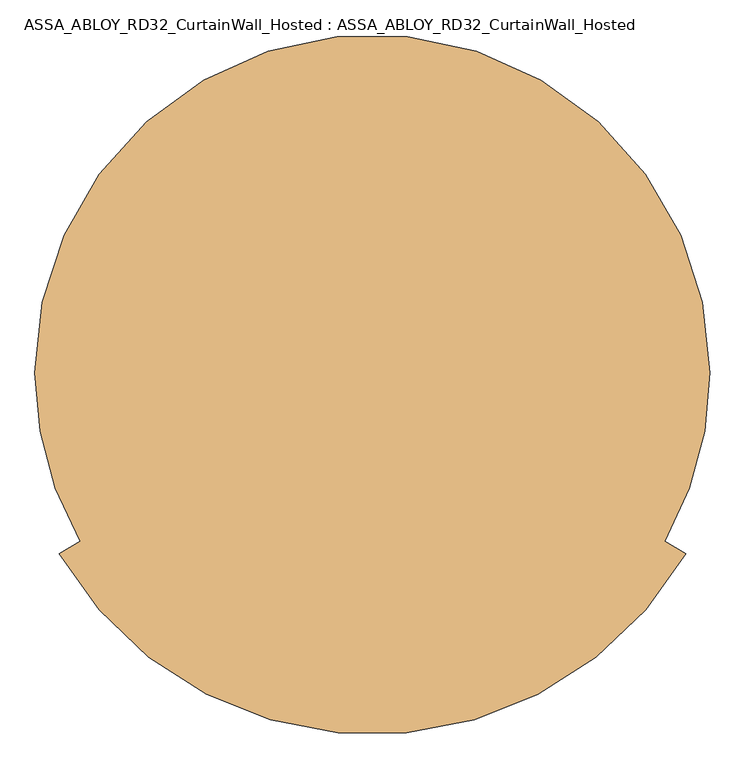
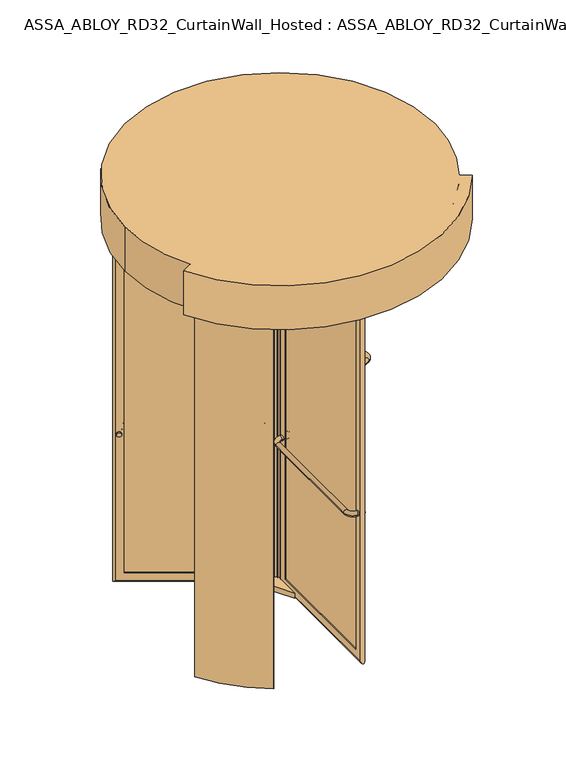
"""IFC4 building model written with IfcOpenShell, lengths in millimetres: door geometry, ASSA_ABLOY_RD32_CurtainWall_Hosted : ASSA_ABLOY_RD32_CurtainWall_Hosted."""

from ifc_helpers import new_model, si_unit, point, frame, frame_2d, origin, origin_with_axes, origin_2d, place, context, project, spatial, polyline, circle_curve, ellipse_curve, trimmed, segment, composite_curve, outline, extrude, source, transform, mapped, element, save
from ifc_brep_helpers import plane_surface, cylinder_surface, revolved_surface, advanced_brep


def assa_abloy_rd32_curtainwall_hosted_assa_abloy_rd32_b7cdfa9f(model_context):
    return source(origin(), model_context, "Body", "SolidModel", [
        advanced_brep(
        [(1000.0, 0.0, 2800.0), (-1000.0, 0.0, 2800.0), (-866.0254038, -500.0, 2800.0), (-928.3792329, -536.0, 2800.0), (928.3792329, -536.0, 2800.0), (866.0254038, -500.0, 2800.0), (-1000.0, 0.0, 2500.0), (1000.0, 0.0, 2500.0), (866.0254038, -500.0, 2785.0), (-866.0254038, -500.0, 2785.0), (928.3792329, -536.0, 2500.0), (917.986928, -530.0, 2500.0), (917.986928, -530.0, 2785.0), (-917.986928, -530.0, 2785.0), (-917.986928, -530.0, 2500.0), (-928.3792329, -536.0, 2500.0)],
        [
            (0, 1, circle_curve(frame((0.0, 0.0, 2800.0), z_axis=(0.0, 0.0, 1.0), x_axis=(1.0, 0.0, 0.0)), 1000.0)),
            (1, 2, circle_curve(frame((0.0, 0.0, 2800.0), z_axis=(0.0, 0.0, 1.0), x_axis=(1.0, 0.0, 0.0)), 1000.0)),
            (2, 3),
            (3, 4, circle_curve(frame((0.0, 0.0, 2800.0), z_axis=(0.0, 0.0, 1.0), x_axis=(0.8660254037844377, -0.5000000000000016, 0.0)), 1072.0)),
            (4, 5),
            (5, 0, circle_curve(frame((0.0, 0.0, 2800.0), z_axis=(0.0, 0.0, 1.0), x_axis=(1.0, 0.0, 0.0)), 1000.0)),
            (6, 7, circle_curve(frame((0.0, 0.0, 2500.0), z_axis=(0.0, 0.0, -1.0), x_axis=(1.0, 0.0, 0.0)), 1000.0)),
            (7, 6, circle_curve(frame((0.0, 0.0, 2500.0), z_axis=(0.0, 0.0, -1.0), x_axis=(1.0, 0.0, 0.0)), 1000.0)),
            (0, 7),
            (6, 1),
            (5, 8),
            (8, 9, circle_curve(frame((0.0, 0.0, 2785.0), z_axis=(0.0, 0.0, -1.0), x_axis=(1.0, 0.0, 0.0)), 1000.0)),
            (9, 2),
            (4, 10),
            (10, 11),
            (11, 12),
            (12, 8),
            (13, 14),
            (14, 15),
            (15, 3),
            (9, 13),
            (15, 10, circle_curve(frame((0.0, 0.0, 2500.0), z_axis=(0.0, 0.0, 1.0), x_axis=(0.8660254037844377, -0.5000000000000016, 0.0)), 1072.0)),
            (14, 11, circle_curve(frame((0.0, 0.0, 2500.0), z_axis=(0.0, 0.0, 1.0), x_axis=(0.8660254037844377, -0.5000000000000016, 0.0)), 1060.0)),
            (13, 12, circle_curve(frame((0.0, 0.0, 2785.0), z_axis=(0.0, 0.0, 1.0), x_axis=(0.8660254037844377, -0.5000000000000016, 0.0)), 1060.0)),
        ],
        [
            plane_surface(frame((1000.0, 0.0, 2800.0), z_axis=(0.0, 0.0, 1.0), x_axis=(0.0, 1.0, 0.0))),
            plane_surface(frame((1000.0, 0.0, 2500.0), z_axis=(0.0, 0.0, -1.0), x_axis=(0.0, -1.0, 0.0))),
            cylinder_surface(frame((0.0, 0.0, 2500.0), z_axis=(0.0, 0.0, 1.0), x_axis=(1.0, 0.0, 0.0)), 1000.0),
            plane_surface(frame((863.4273276, -498.5, 2800.0), z_axis=(0.5000000000000017, 0.8660254037844378, 0.0), x_axis=(0.0, 0.0, 1.0))),
            plane_surface(frame((-863.4273276, -498.5, 2800.0), z_axis=(-0.5000000000000142, 0.8660254037844305, 0.0), x_axis=(0.0, 0.0, 1.0))),
            cylinder_surface(frame((0.0, 0.0, 2800.0), z_axis=(0.0, 0.0, -1.0), x_axis=(0.8660254037844377, -0.5000000000000016, 0.0)), 1072.0),
            plane_surface(frame((0.0, 0.0, 2500.0), z_axis=(0.0, 0.0, -1.0000000000000002), x_axis=(0.8660254037844378, -0.5000000000000017, 0.0))),
            revolved_surface(polyline([(917.986928011504, -530.0000000000016, 2500.0), (917.986928011504, -530.0000000000016, 2785.0)]), (0.0, 0.0, 2800.0), (0.0, 0.0, -1.0)),
            plane_surface(frame((0.0, 0.0, 2785.0), z_axis=(0.0, 0.0, -1.0000000000000002), x_axis=(0.8660254037844378, -0.5000000000000017, 0.0))),
        ],
        [
            (0, [[1, 2, 3, 4, 5, 6]]),
            (1, [[7, 8]]),
            (2, [[-1, 9, -7, 10]]),
            (2, [[-8, -9, -6, 11, 12, 13, -2, -10]]),
            (3, [[14, 15, 16, 17, -11, -5]]),
            (4, [[18, 19, 20, -3, -13, 21]]),
            (5, [[-14, -4, -20, 22]]),
            (6, [[-15, -22, -19, 23]]),
            (7, [[-16, -23, -18, 24]]),
            (8, [[-24, -21, -12, -17]]),
        ],
    ),
        extrude(outline(composite_curve([segment(trimmed(circle_curve(origin_2d(), 15.0), [point((0.0, 15.0))], [point((0.0, -15.0))], False, "CARTESIAN"), True, "CONTINUOUS"), segment(trimmed(circle_curve(origin_2d(), 15.0), [point((0.0, -15.0))], [point((0.0, 15.0))], False, "CARTESIAN"), True, "CONTINUOUS")], self_intersect=False)), frame((769.6319669, 459.3583302, 1050.0), z_axis=(-0.4999999999999966, 0.8660254037844406, 0.0), x_axis=(0.0, 0.0, 1.0)), (0.0, 0.0, 1.0), 10.0),
        extrude(outline(composite_curve([segment(trimmed(circle_curve(origin_2d(), 15.0), [point((0.0, 15.0))], [point((0.0, -15.0))], False, "CARTESIAN"), True, "CONTINUOUS"), segment(trimmed(circle_curve(origin_2d(), 15.0), [point((0.0, -15.0))], [point((0.0, 15.0))], False, "CARTESIAN"), True, "CONTINUOUS")], self_intersect=False)), frame((38.533321, 37.2583302, 1050.0), z_axis=(-0.4999999999999966, 0.8660254037844406, 0.0), x_axis=(0.0, 0.0, 1.0)), (0.0, 0.0, 1.0), 10.0),
        advanced_brep(
        [(38.5429399, 7.2416698, 1050.0), (64.5237021, 22.2416698, 1050.0), (43.5429399, -1.4185843, 1050.0), (69.5237021, 13.5814157, 1050.0), (110.5044642, 2.6006536, 1050.0), (125.5044642, -23.3801085, 1050.0), (778.6608237, 353.7198915, 1050.0), (763.6608237, 379.7006536, 1050.0), (774.6415858, 420.6814157, 1050.0), (800.6223479, 435.6814157, 1050.0), (795.6223479, 444.3416698, 1050.0), (769.6415858, 429.3416698, 1050.0)],
        [
            (0, 1, circle_curve(frame((51.533321, 14.7416698, 1050.0), z_axis=(-0.4999999999999966, 0.8660254037844406, 0.0), x_axis=(0.8660254037844406, 0.4999999999999966, 0.0)), 15.0)),
            (1, 0, circle_curve(frame((51.533321, 14.7416698, 1050.0), z_axis=(-0.4999999999999966, 0.8660254037844406, 0.0), x_axis=(0.8660254037844406, 0.4999999999999966, 0.0)), 15.0)),
            (0, 2),
            (2, 3, circle_curve(frame((56.533321, 6.0814157, 1050.0), z_axis=(-0.4999999999999966, 0.8660254037844406, 0.0), x_axis=(0.8660254037844406, 0.4999999999999966, 0.0)), 15.0)),
            (3, 1),
            (3, 2, circle_curve(frame((56.533321, 6.0814157, 1050.0), z_axis=(-0.4999999999999966, 0.8660254037844406, 0.0), x_axis=(0.8660254037844406, 0.4999999999999966, 0.0)), 15.0)),
            (4, 3, circle_curve(frame((95.5044642, 28.5814157, 1050.0), z_axis=(0.0, 0.0, -1.0), x_axis=(-0.8660254037844438, -0.499999999999991, 0.0)), 30.0)),
            (2, 5, circle_curve(frame((95.5044642, 28.5814157, 1050.0), z_axis=(0.0, 0.0, 1.0), x_axis=(-0.8660254037844438, -0.499999999999991, 0.0)), 60.0)),
            (5, 4, circle_curve(frame((118.0044642, -10.3897275, 1050.0), z_axis=(-0.8660254037844638, -0.49999999999995637, 0.0), x_axis=(-0.49999999999995637, 0.8660254037844638, 0.0)), 15.0)),
            (4, 5, circle_curve(frame((118.0044642, -10.3897275, 1050.0), z_axis=(-0.866025403784482, -0.4999999999999248, 0.0), x_axis=(-0.4999999999999248, 0.866025403784482, 0.0)), 15.0)),
            (5, 6),
            (6, 7, circle_curve(frame((771.1608237, 366.7102725, 1050.0), z_axis=(-0.8660254037844406, -0.4999999999999966, 0.0), x_axis=(-0.4999999999999966, 0.8660254037844406, 0.0)), 15.0)),
            (7, 4),
            (7, 6, circle_curve(frame((771.1608237, 366.7102725, 1050.0), z_axis=(-0.8660254037844406, -0.4999999999999966, 0.0), x_axis=(-0.4999999999999966, 0.8660254037844406, 0.0)), 15.0)),
            (8, 7, circle_curve(frame((748.6608237, 405.6814157, 1050.0), z_axis=(0.0, 0.0, -1.0), x_axis=(0.4999999999999914, -0.8660254037844436, 0.0)), 30.0)),
            (6, 9, circle_curve(frame((748.6608237, 405.6814157, 1050.0), z_axis=(0.0, 0.0, 1.0), x_axis=(0.4999999999999914, -0.8660254037844436, 0.0)), 60.0)),
            (9, 8, circle_curve(frame((787.6319669, 428.1814157, 1050.0), z_axis=(0.4999999999999946, -0.8660254037844417, 0.0), x_axis=(-0.8660254037844417, -0.4999999999999946, 0.0)), 15.0)),
            (8, 9, circle_curve(frame((787.6319669, 428.1814157, 1050.0), z_axis=(0.4999999999999925, -0.8660254037844429, 0.0), x_axis=(-0.8660254037844429, -0.4999999999999925, 0.0)), 15.0)),
            (10, 11, circle_curve(frame((782.6319669, 436.8416698, 1050.0), z_axis=(-0.4999999999999966, 0.8660254037844406, 0.0), x_axis=(-0.8660254037844406, -0.4999999999999966, 0.0)), 15.0)),
            (11, 10, circle_curve(frame((782.6319669, 436.8416698, 1050.0), z_axis=(-0.4999999999999966, 0.8660254037844406, 0.0), x_axis=(-0.8660254037844406, -0.4999999999999966, 0.0)), 15.0)),
            (9, 10),
            (11, 8),
        ],
        [
            plane_surface(frame((51.533321, 14.7416698, 1050.0), z_axis=(-0.4999999999999966, 0.8660254037844406, 0.0), x_axis=(0.0, 0.0, 1.0))),
            cylinder_surface(frame((51.533321, 14.7416698, 1050.0), z_axis=(-0.4999999999999966, 0.8660254037844406, 0.0), x_axis=(0.8660254037844406, 0.4999999999999966, 0.0)), 15.0),
            revolved_surface(trimmed(ellipse_curve(frame((56.533321, 6.0814157, 1050.0), z_axis=(-0.499999999999991, 0.8660254037844438, 0.0), x_axis=(0.8660254037844438, 0.499999999999991, 0.0)), 15.0, 15.0), [point((43.5429399, -1.4185843, 1050.0))], [point((69.5237021, 13.5814157, 1050.0))], True, "CARTESIAN"), (95.5044642, 28.5814157, 1050.0), (0.0, 0.0, 1.0)),
            revolved_surface(trimmed(ellipse_curve(frame((56.533321, 6.0814157, 1050.0), z_axis=(-0.499999999999991, 0.8660254037844438, 0.0), x_axis=(0.8660254037844438, 0.499999999999991, 0.0)), 15.0, 15.0), [point((69.5237021, 13.5814157, 1050.0))], [point((43.5429399, -1.4185843, 1050.0))], True, "CARTESIAN"), (95.5044642, 28.5814157, 1050.0), (0.0, 0.0, 1.0)),
            cylinder_surface(frame((118.0044642, -10.3897275, 1050.0), z_axis=(-0.8660254037844406, -0.4999999999999966, 0.0), x_axis=(-0.4999999999999966, 0.8660254037844406, 0.0)), 15.0),
            revolved_surface(trimmed(ellipse_curve(frame((771.1608237, 366.7102725, 1050.0), z_axis=(-0.8660254037844436, -0.4999999999999914, 0.0), x_axis=(-0.4999999999999914, 0.8660254037844436, 0.0)), 15.0, 15.0), [point((778.6608237, 353.7198915, 1050.0))], [point((763.6608237, 379.7006536, 1050.0))], True, "CARTESIAN"), (748.6608237, 405.6814157, 1050.0), (0.0, 0.0, 1.0)),
            revolved_surface(trimmed(ellipse_curve(frame((771.1608237, 366.7102725, 1050.0), z_axis=(-0.8660254037844436, -0.4999999999999914, 0.0), x_axis=(-0.4999999999999914, 0.8660254037844436, 0.0)), 15.0, 15.0), [point((763.6608237, 379.7006536, 1050.0))], [point((778.6608237, 353.7198915, 1050.0))], True, "CARTESIAN"), (748.6608237, 405.6814157, 1050.0), (0.0, 0.0, 1.0)),
            plane_surface(frame((782.6319669, 436.8416698, 1050.0), z_axis=(-0.4999999999999966, 0.8660254037844406, 0.0), x_axis=(0.0, 0.0, 1.0))),
            cylinder_surface(frame((787.6319669, 428.1814157, 1050.0), z_axis=(0.4999999999999966, -0.8660254037844406, 0.0), x_axis=(-0.8660254037844406, -0.4999999999999966, 0.0)), 15.0),
        ],
        [
            (0, [[1, 2]]),
            (1, [[-1, 3, 4, 5]]),
            (1, [[-2, -5, 6, -3]]),
            (2, [[7, -4, 8, 9]]),
            (3, [[-8, -6, -7, 10]]),
            (4, [[-9, 11, 12, 13]]),
            (4, [[-10, -13, 14, -11]]),
            (5, [[15, -12, 16, 17]]),
            (6, [[-16, -14, -15, 18]]),
            (7, [[19, 20]]),
            (8, [[-17, 21, -20, 22]]),
            (8, [[-18, -22, -19, -21]]),
        ],
    ),
        advanced_brep(
        [(756.0172302, 424.939746, 105.0), (757.5172302, 422.3416698, 105.0), (757.5172302, 422.3416698, 2395.0), (756.0172302, 424.939746, 2395.0), (763.3377382, 452.260254, 85.0), (773.3377382, 434.939746, 85.0), (773.3377382, 434.939746, 2415.0), (763.3377382, 452.260254, 2415.0), (744.5172302, 444.8583302, 105.0), (746.0172302, 442.260254, 105.0), (746.0172302, 442.260254, 2395.0), (744.5172302, 444.8583302, 2395.0), (802.5505512, 448.3416698, 53.0), (789.5505512, 470.8583302, 53.0), (789.5505512, 470.8583302, 2447.0), (802.5505512, 448.3416698, 2447.0), (76.6480577, 29.2416698, 2395.0), (75.1480577, 31.839746, 2395.0), (57.8275496, 21.839746, 2415.0), (47.8275496, 39.160254, 2415.0), (65.1480577, 49.160254, 2395.0), (63.6480577, 51.7583302, 2395.0), (18.6147367, 25.7583302, 2447.0), (31.6147367, 3.2416698, 2447.0), (76.6480577, 29.2416698, 105.0), (75.1480577, 31.839746, 105.0), (57.8275496, 21.839746, 85.0), (47.8275496, 39.160254, 85.0), (65.1480577, 49.160254, 105.0), (63.6480577, 51.7583302, 105.0), (18.6147367, 25.7583302, 53.0), (31.6147367, 3.2416698, 53.0)],
        [
            (0, 1),
            (1, 2),
            (2, 3),
            (3, 0),
            (4, 5),
            (5, 6),
            (6, 7),
            (7, 4),
            (8, 9),
            (9, 10),
            (10, 11),
            (11, 8),
            (12, 13, ellipse_curve(frame((796.0505512, 459.6, 53.0), z_axis=(0.6123724356958007, 0.35355339059326285, 0.7071067811865475), x_axis=(0.6123724356957908, 0.3535533905932797, -0.7071067811865477)), 18.3847763, 13.0)),
            (13, 14),
            (14, 15, ellipse_curve(frame((796.0505512, 459.6, 2447.0), z_axis=(0.612372435695791, 0.3535533905932798, -0.7071067811865475), x_axis=(-0.6123724356958007, -0.3535533905932628, -0.7071067811865476)), 18.3847763, 13.0)),
            (15, 12),
            (2, 16),
            (16, 17),
            (17, 3),
            (6, 18),
            (18, 19),
            (19, 7),
            (10, 20),
            (20, 21),
            (21, 11),
            (14, 22),
            (22, 23, ellipse_curve(frame((25.1147367, 14.5, 2447.0), z_axis=(0.6123724356958007, 0.35355339059326285, 0.7071067811865475), x_axis=(0.6123724356957913, 0.35355339059327995, -0.7071067811865472)), 18.3847763, 13.0)),
            (23, 15),
            (16, 24),
            (24, 25),
            (25, 17),
            (18, 26),
            (26, 27),
            (27, 19),
            (20, 28),
            (28, 29),
            (29, 21),
            (22, 30),
            (30, 31, ellipse_curve(frame((25.1147367, 14.5, 53.0), z_axis=(-0.612372435695791, -0.3535533905932798, 0.7071067811865475), x_axis=(0.6123724356958007, 0.3535533905932628, 0.7071067811865476)), 18.3847763, 13.0)),
            (31, 23),
            (24, 1),
            (0, 25),
            (5, 26),
            (4, 27),
            (9, 28),
            (8, 29),
            (13, 30),
            (12, 31),
        ],
        [
            plane_surface(frame((757.5172302, 422.3416698, 105.0), z_axis=(-0.8660254037844419, -0.49999999999999445, 0.0), x_axis=(0.0, 0.0, 1.0))),
            plane_surface(frame((773.3377382, 434.939746, 85.0), z_axis=(-0.8660254037844408, -0.4999999999999964, 0.0), x_axis=(0.0, 0.0, 1.0))),
            plane_surface(frame((746.0172302, 442.260254, 105.0), z_axis=(-0.8660254037844419, -0.49999999999999445, 0.0), x_axis=(0.0, 0.0, 1.0))),
            cylinder_surface(frame((796.0505512, 459.6, 40.0), z_axis=(0.0, 0.0, -1.0), x_axis=(-0.8660254037844406, -0.4999999999999966, 0.0)), 13.0),
            plane_surface(frame((757.5172302, 422.3416698, 2395.0), z_axis=(0.0, 0.0, -1.0), x_axis=(-0.8660254037844406, -0.4999999999999966, 0.0))),
            plane_surface(frame((773.3377382, 434.939746, 2415.0), z_axis=(0.0, 0.0, -1.0), x_axis=(-0.8660254037844406, -0.4999999999999966, 0.0))),
            plane_surface(frame((746.0172302, 442.260254, 2395.0), z_axis=(0.0, 0.0, -1.0), x_axis=(-0.8660254037844406, -0.4999999999999966, 0.0))),
            cylinder_surface(frame((807.3088814, 466.1, 2447.0), z_axis=(0.8660254037844406, 0.4999999999999966, 0.0), x_axis=(0.0, 0.0, -1.0)), 13.0),
            plane_surface(frame((76.6480577, 29.2416698, 2395.0), z_axis=(0.8660254037844394, 0.49999999999999883, 0.0), x_axis=(0.0, 0.0, -1.0))),
            plane_surface(frame((57.8275496, 21.839746, 2415.0), z_axis=(0.8660254037844405, 0.4999999999999969, 0.0), x_axis=(0.0, 0.0, -1.0))),
            plane_surface(frame((65.1480577, 49.160254, 2395.0), z_axis=(0.8660254037844394, 0.49999999999999883, 0.0), x_axis=(0.0, 0.0, -1.0))),
            cylinder_surface(frame((25.1147367, 14.5, 2460.0), z_axis=(0.0, 0.0, 1.0), x_axis=(0.8660254037844406, 0.4999999999999966, 0.0)), 13.0),
            plane_surface(frame((76.6480577, 29.2416698, 105.0), z_axis=(0.0, 0.0, 1.0), x_axis=(0.8660254037844406, 0.4999999999999966, 0.0))),
            plane_surface(frame((75.1480577, 31.839746, 105.0), z_axis=(-0.4999999999999966, 0.8660254037844406, 0.0), x_axis=(0.8660254037844406, 0.4999999999999966, 0.0))),
            plane_surface(frame((57.8275496, 21.839746, 85.0), z_axis=(0.0, 0.0, 1.0), x_axis=(0.8660254037844406, 0.4999999999999966, 0.0))),
            plane_surface(frame((47.8275496, 39.160254, 85.0), z_axis=(0.4999999999999966, -0.8660254037844406, 0.0), x_axis=(0.8660254037844406, 0.4999999999999966, 0.0))),
            plane_surface(frame((65.1480577, 49.160254, 105.0), z_axis=(0.0, 0.0, 1.0), x_axis=(0.8660254037844406, 0.4999999999999966, 0.0))),
            plane_surface(frame((63.6480577, 51.7583302, 105.0), z_axis=(-0.4999999999999966, 0.8660254037844406, 0.0), x_axis=(0.8660254037844406, 0.4999999999999966, 0.0))),
            cylinder_surface(frame((13.8564065, 8.0, 53.0), z_axis=(-0.8660254037844406, -0.4999999999999966, 0.0), x_axis=(0.0, 0.0, 1.0)), 13.0),
            plane_surface(frame((31.6147367, 3.2416698, 53.0), z_axis=(0.4999999999999966, -0.8660254037844406, 0.0), x_axis=(0.8660254037844406, 0.4999999999999966, 0.0))),
        ],
        [
            (0, [[1, 2, 3, 4]]),
            (1, [[5, 6, 7, 8]]),
            (2, [[9, 10, 11, 12]]),
            (3, [[13, 14, 15, 16]]),
            (4, [[-3, 17, 18, 19]]),
            (5, [[-7, 20, 21, 22]]),
            (6, [[-11, 23, 24, 25]]),
            (7, [[-15, 26, 27, 28]]),
            (8, [[-18, 29, 30, 31]]),
            (9, [[-21, 32, 33, 34]]),
            (10, [[-24, 35, 36, 37]]),
            (11, [[-27, 38, 39, 40]]),
            (12, [[-30, 41, -1, 42]]),
            (13, [[43, -32, -20, -6], [-19, -31, -42, -4]]),
            (14, [[-33, -43, -5, 44]]),
            (15, [[-22, -34, -44, -8], [45, -35, -23, -10]]),
            (16, [[-36, -45, -9, 46]]),
            (17, [[47, -38, -26, -14], [-25, -37, -46, -12]]),
            (18, [[-39, -47, -13, 48]]),
            (19, [[-28, -40, -48, -16], [-41, -29, -17, -2]]),
        ],
    ),
        extrude(outline(polyline([(765.8377382, 447.930127), (770.8377382, 439.269873), (55.3275496, 26.169873), (50.3275496, 34.830127), (765.8377382, 447.930127)])), frame((0.0, 0.0, 85.0), z_axis=(0.0, 0.0, 1.0), x_axis=(1.0, 0.0, 0.0)), (0.0, 0.0, 1.0), 2330.0),
        extrude(outline(composite_curve([segment(trimmed(circle_curve(origin_2d(), 15.0), [point((0.0, -15.0))], [point((0.0, 15.0))], False, "CARTESIAN"), True, "CONTINUOUS"), segment(trimmed(circle_curve(origin_2d(), 15.0), [point((0.0, 15.0))], [point((0.0, -15.0))], False, "CARTESIAN"), True, "CONTINUOUS")], self_intersect=False)), frame((-787.6319669, 428.1814157, 1050.0), z_axis=(0.49999999999999417, 0.866025403784442, 0.0), x_axis=(0.0, 0.0, 1.0)), (0.0, 0.0, 1.0), 10.0),
        extrude(outline(composite_curve([segment(trimmed(circle_curve(origin_2d(), 15.0), [point((0.0, -15.0))], [point((0.0, 15.0))], False, "CARTESIAN"), True, "CONTINUOUS"), segment(trimmed(circle_curve(origin_2d(), 15.0), [point((0.0, 15.0))], [point((0.0, -15.0))], False, "CARTESIAN"), True, "CONTINUOUS")], self_intersect=False)), frame((-56.533321, 6.0814157, 1050.0), z_axis=(0.49999999999999417, 0.866025403784442, 0.0), x_axis=(0.0, 0.0, 1.0)), (0.0, 0.0, 1.0), 10.0),
        advanced_brep(
        [(-25.5429399, 29.7583302, 1050.0), (-51.5237021, 44.7583302, 1050.0), (-20.5429399, 38.4185843, 1050.0), (-46.5237021, 53.4185843, 1050.0), (-57.5044642, 94.3993464, 1050.0), (-42.5044642, 120.3801085, 1050.0), (-695.6608237, 497.4801085, 1050.0), (-710.6608237, 471.4993464, 1050.0), (-751.6415858, 460.5185843, 1050.0), (-777.6223479, 475.5185843, 1050.0), (-782.6223479, 466.8583302, 1050.0), (-756.6415858, 451.8583302, 1050.0)],
        [
            (0, 1, circle_curve(frame((-38.533321, 37.2583302, 1050.0), z_axis=(-0.49999999999999417, -0.866025403784442, 0.0), x_axis=(-0.8660254037844415, 0.49999999999999384, 0.0)), 15.0)),
            (1, 0, circle_curve(frame((-38.533321, 37.2583302, 1050.0), z_axis=(-0.49999999999999417, -0.866025403784442, 0.0), x_axis=(-0.8660254037844415, 0.49999999999999384, 0.0)), 15.0)),
            (0, 2),
            (2, 3, circle_curve(frame((-33.533321, 45.9185843, 1050.0), z_axis=(-0.49999999999999417, -0.866025403784442, 0.0), x_axis=(-0.8660254037844415, 0.49999999999999384, 0.0)), 15.0)),
            (3, 1),
            (3, 2, circle_curve(frame((-33.533321, 45.9185843, 1050.0), z_axis=(-0.49999999999999417, -0.866025403784442, 0.0), x_axis=(-0.8660254037844415, 0.49999999999999384, 0.0)), 15.0)),
            (4, 3, circle_curve(frame((-72.5044642, 68.4185843, 1050.0), z_axis=(0.0, 0.0, -1.0), x_axis=(0.8660254037844383, -0.49999999999999944, 0.0)), 30.0)),
            (2, 5, circle_curve(frame((-72.5044642, 68.4185843, 1050.0), z_axis=(0.0, 0.0, 1.0), x_axis=(0.8660254037844383, -0.49999999999999944, 0.0)), 60.0)),
            (5, 4, circle_curve(frame((-50.0044642, 107.3897275, 1050.0), z_axis=(0.8660254037844182, -0.5000000000000342, 0.0), x_axis=(-0.5000000000000342, -0.8660254037844182, 0.0)), 15.0)),
            (4, 5, circle_curve(frame((-50.0044642, 107.3897275, 1050.0), z_axis=(0.8660254037844, -0.5000000000000657, 0.0), x_axis=(-0.5000000000000657, -0.8660254037844, 0.0)), 15.0)),
            (5, 6),
            (6, 7, circle_curve(frame((-703.1608237, 484.4897275, 1050.0), z_axis=(0.866025403784442, -0.49999999999999417, 0.0), x_axis=(-0.49999999999999384, -0.8660254037844415, 0.0)), 15.0)),
            (7, 4),
            (7, 6, circle_curve(frame((-703.1608237, 484.4897275, 1050.0), z_axis=(0.866025403784442, -0.49999999999999417, 0.0), x_axis=(-0.49999999999999384, -0.8660254037844415, 0.0)), 15.0)),
            (8, 7, circle_curve(frame((-725.6608237, 445.5185843, 1050.0), z_axis=(0.0, 0.0, -1.0), x_axis=(0.49999999999999906, 0.8660254037844385, 0.0)), 30.0)),
            (6, 9, circle_curve(frame((-725.6608237, 445.5185843, 1050.0), z_axis=(0.0, 0.0, 1.0), x_axis=(0.49999999999999906, 0.8660254037844385, 0.0)), 60.0)),
            (9, 8, circle_curve(frame((-764.6319669, 468.0185843, 1050.0), z_axis=(0.49999999999999584, 0.8660254037844404, 0.0), x_axis=(0.8660254037844404, -0.49999999999999584, 0.0)), 15.0)),
            (8, 9, circle_curve(frame((-764.6319669, 468.0185843, 1050.0), z_axis=(0.49999999999999795, 0.8660254037844392, 0.0), x_axis=(0.8660254037844392, -0.49999999999999795, 0.0)), 15.0)),
            (10, 11, circle_curve(frame((-769.6319669, 459.3583302, 1050.0), z_axis=(-0.49999999999999417, -0.866025403784442, 0.0), x_axis=(0.8660254037844415, -0.49999999999999384, 0.0)), 15.0)),
            (11, 10, circle_curve(frame((-769.6319669, 459.3583302, 1050.0), z_axis=(-0.49999999999999417, -0.866025403784442, 0.0), x_axis=(0.8660254037844415, -0.49999999999999384, 0.0)), 15.0)),
            (9, 10),
            (11, 8),
        ],
        [
            plane_surface(frame((-38.533321, 37.2583302, 1050.0), z_axis=(-0.49999999999999417, -0.866025403784442, 0.0), x_axis=(0.0, 0.0, 1.0))),
            cylinder_surface(frame((-38.533321, 37.2583302, 1050.0), z_axis=(-0.49999999999999384, -0.8660254037844415, 0.0), x_axis=(-0.8660254037844415, 0.49999999999999384, 0.0)), 15.0),
            revolved_surface(trimmed(ellipse_curve(frame((-33.533321, 45.9185843, 1050.0), z_axis=(-0.4999999999999995, -0.8660254037844383, 0.0), x_axis=(-0.8660254037844383, 0.4999999999999995, 0.0)), 15.0, 15.0), [point((-20.5429399, 38.4185843, 1050.0))], [point((-46.5237021, 53.4185843, 1050.0))], True, "CARTESIAN"), (-72.5044642, 68.4185843, 1050.0), (0.0, 0.0, 1.0)),
            revolved_surface(trimmed(ellipse_curve(frame((-33.533321, 45.9185843, 1050.0), z_axis=(-0.4999999999999995, -0.8660254037844383, 0.0), x_axis=(-0.8660254037844383, 0.4999999999999995, 0.0)), 15.0, 15.0), [point((-46.5237021, 53.4185843, 1050.0))], [point((-20.5429399, 38.4185843, 1050.0))], True, "CARTESIAN"), (-72.5044642, 68.4185843, 1050.0), (0.0, 0.0, 1.0)),
            cylinder_surface(frame((-50.0044642, 107.3897275, 1050.0), z_axis=(0.8660254037844415, -0.49999999999999384, 0.0), x_axis=(-0.49999999999999384, -0.8660254037844415, 0.0)), 15.0),
            revolved_surface(trimmed(ellipse_curve(frame((-703.1608237, 484.4897275, 1050.0), z_axis=(0.8660254037844385, -0.49999999999999906, 0.0), x_axis=(-0.49999999999999906, -0.8660254037844385, 0.0)), 15.0, 15.0), [point((-695.6608237, 497.4801085, 1050.0))], [point((-710.6608237, 471.4993464, 1050.0))], True, "CARTESIAN"), (-725.6608237, 445.5185843, 1050.0), (0.0, 0.0, 1.0)),
            revolved_surface(trimmed(ellipse_curve(frame((-703.1608237, 484.4897275, 1050.0), z_axis=(0.8660254037844385, -0.49999999999999906, 0.0), x_axis=(-0.49999999999999906, -0.8660254037844385, 0.0)), 15.0, 15.0), [point((-710.6608237, 471.4993464, 1050.0))], [point((-695.6608237, 497.4801085, 1050.0))], True, "CARTESIAN"), (-725.6608237, 445.5185843, 1050.0), (0.0, 0.0, 1.0)),
            plane_surface(frame((-769.6319669, 459.3583302, 1050.0), z_axis=(-0.49999999999999417, -0.866025403784442, 0.0), x_axis=(0.0, 0.0, 1.0))),
            cylinder_surface(frame((-764.6319669, 468.0185843, 1050.0), z_axis=(0.49999999999999384, 0.8660254037844415, 0.0), x_axis=(0.8660254037844415, -0.49999999999999384, 0.0)), 15.0),
        ],
        [
            (0, [[1, 2]]),
            (1, [[-1, 3, 4, 5]]),
            (1, [[-2, -5, 6, -3]]),
            (2, [[7, -4, 8, 9]]),
            (3, [[-8, -6, -7, 10]]),
            (4, [[-9, 11, 12, 13]]),
            (4, [[-10, -13, 14, -11]]),
            (5, [[15, -12, 16, 17]]),
            (6, [[-16, -14, -15, 18]]),
            (7, [[19, 20]]),
            (8, [[-17, 21, -20, 22]]),
            (8, [[-18, -22, -19, -21]]),
        ],
    ),
        advanced_brep(
        [(-746.0172302, 442.260254, 105.0), (-744.5172302, 444.8583302, 105.0), (-744.5172302, 444.8583302, 2395.0), (-746.0172302, 442.260254, 2395.0), (-773.3377382, 434.939746, 85.0), (-763.3377382, 452.260254, 85.0), (-763.3377382, 452.260254, 2415.0), (-773.3377382, 434.939746, 2415.0), (-757.5172302, 422.3416698, 105.0), (-756.0172302, 424.939746, 105.0), (-756.0172302, 424.939746, 2395.0), (-757.5172302, 422.3416698, 2395.0), (-789.5505512, 470.8583302, 53.0), (-802.5505512, 448.3416698, 53.0), (-802.5505512, 448.3416698, 2447.0), (-789.5505512, 470.8583302, 2447.0), (-63.6480577, 51.7583302, 2395.0), (-65.1480577, 49.160254, 2395.0), (-47.8275496, 39.160254, 2415.0), (-57.8275496, 21.839746, 2415.0), (-75.1480577, 31.839746, 2395.0), (-76.6480577, 29.2416698, 2395.0), (-31.6147367, 3.2416698, 2447.0), (-18.6147367, 25.7583302, 2447.0), (-63.6480577, 51.7583302, 105.0), (-65.1480577, 49.160254, 105.0), (-47.8275496, 39.160254, 85.0), (-57.8275496, 21.839746, 85.0), (-75.1480577, 31.839746, 105.0), (-76.6480577, 29.2416698, 105.0), (-31.6147367, 3.2416698, 53.0), (-18.6147367, 25.7583302, 53.0)],
        [
            (0, 1),
            (1, 2),
            (2, 3),
            (3, 0),
            (4, 5),
            (5, 6),
            (6, 7),
            (7, 4),
            (8, 9),
            (9, 10),
            (10, 11),
            (11, 8),
            (12, 13, ellipse_curve(frame((-796.0505512, 459.6, 53.0), z_axis=(-0.612372435695792, 0.35355339059327806, 0.7071067811865475), x_axis=(-0.6123724356958017, 0.3535533905932611, -0.7071067811865476)), 18.3847763, 13.0)),
            (13, 14),
            (14, 15, ellipse_curve(frame((-796.0505512, 459.6, 2447.0), z_axis=(-0.6123724356958017, 0.35355339059326113, -0.7071067811865475), x_axis=(0.6123724356957919, -0.353553390593278, -0.7071067811865477)), 18.3847763, 13.0)),
            (15, 12),
            (2, 16),
            (16, 17),
            (17, 3),
            (6, 18),
            (18, 19),
            (19, 7),
            (10, 20),
            (20, 21),
            (21, 11),
            (14, 22),
            (22, 23, ellipse_curve(frame((-25.1147367, 14.5, 2447.0), z_axis=(-0.612372435695792, 0.35355339059327806, 0.7071067811865475), x_axis=(-0.6123724356958017, 0.3535533905932612, -0.7071067811865475)), 18.3847763, 13.0)),
            (23, 15),
            (16, 24),
            (24, 25),
            (25, 17),
            (18, 26),
            (26, 27),
            (27, 19),
            (20, 28),
            (28, 29),
            (29, 21),
            (22, 30),
            (30, 31, ellipse_curve(frame((-25.1147367, 14.5, 53.0), z_axis=(0.6123724356958017, -0.35355339059326113, 0.7071067811865475), x_axis=(-0.6123724356957919, 0.353553390593278, 0.7071067811865477)), 18.3847763, 13.0)),
            (31, 23),
            (24, 1),
            (0, 25),
            (5, 26),
            (4, 27),
            (9, 28),
            (8, 29),
            (13, 30),
            (12, 31),
        ],
        [
            plane_surface(frame((-744.5172302, 444.8583302, 105.0), z_axis=(0.8660254037844408, -0.4999999999999964, 0.0), x_axis=(0.0, 0.0, 1.0))),
            plane_surface(frame((-763.3377382, 452.260254, 85.0), z_axis=(0.8660254037844419, -0.49999999999999445, 0.0), x_axis=(0.0, 0.0, 1.0))),
            plane_surface(frame((-756.0172302, 424.939746, 105.0), z_axis=(0.8660254037844408, -0.4999999999999964, 0.0), x_axis=(0.0, 0.0, 1.0))),
            cylinder_surface(frame((-796.0505512, 459.6, 40.0), z_axis=(0.0, 0.0, -1.0), x_axis=(0.8660254037844415, -0.49999999999999384, 0.0)), 13.0),
            plane_surface(frame((-744.5172302, 444.8583302, 2395.0), z_axis=(0.0, 0.0, -1.0), x_axis=(0.866025403784442, -0.49999999999999417, 0.0))),
            plane_surface(frame((-763.3377382, 452.260254, 2415.0), z_axis=(0.0, 0.0, -1.0), x_axis=(0.866025403784442, -0.49999999999999417, 0.0))),
            plane_surface(frame((-756.0172302, 424.939746, 2395.0), z_axis=(0.0, 0.0, -1.0), x_axis=(0.866025403784442, -0.49999999999999417, 0.0))),
            cylinder_surface(frame((-807.3088814, 466.1, 2447.0), z_axis=(-0.8660254037844415, 0.49999999999999384, 0.0), x_axis=(0.0, 0.0, -1.0)), 13.0),
            plane_surface(frame((-63.6480577, 51.7583302, 2395.0), z_axis=(-0.8660254037844433, 0.49999999999999195, 0.0), x_axis=(0.0, 0.0, -1.0))),
            plane_surface(frame((-47.8275496, 39.160254, 2415.0), z_axis=(-0.8660254037844421, 0.4999999999999939, 0.0), x_axis=(0.0, 0.0, -1.0))),
            plane_surface(frame((-75.1480577, 31.839746, 2395.0), z_axis=(-0.8660254037844433, 0.49999999999999195, 0.0), x_axis=(0.0, 0.0, -1.0))),
            cylinder_surface(frame((-25.1147367, 14.5, 2460.0), z_axis=(0.0, 0.0, 1.0), x_axis=(-0.8660254037844415, 0.49999999999999384, 0.0)), 13.0),
            plane_surface(frame((-63.6480577, 51.7583302, 105.0), z_axis=(0.0, 0.0, 1.0), x_axis=(-0.866025403784442, 0.49999999999999417, 0.0))),
            plane_surface(frame((-65.1480577, 49.160254, 105.0), z_axis=(-0.49999999999999417, -0.866025403784442, 0.0), x_axis=(-0.866025403784442, 0.49999999999999417, 0.0))),
            plane_surface(frame((-47.8275496, 39.160254, 85.0), z_axis=(0.0, 0.0, 1.0), x_axis=(-0.866025403784442, 0.49999999999999417, 0.0))),
            plane_surface(frame((-57.8275496, 21.839746, 85.0), z_axis=(0.49999999999999417, 0.866025403784442, 0.0), x_axis=(-0.866025403784442, 0.49999999999999417, 0.0))),
            plane_surface(frame((-75.1480577, 31.839746, 105.0), z_axis=(0.0, 0.0, 1.0), x_axis=(-0.866025403784442, 0.49999999999999417, 0.0))),
            plane_surface(frame((-76.6480577, 29.2416698, 105.0), z_axis=(-0.49999999999999417, -0.866025403784442, 0.0), x_axis=(-0.866025403784442, 0.49999999999999417, 0.0))),
            cylinder_surface(frame((-13.8564065, 8.0, 53.0), z_axis=(0.8660254037844415, -0.49999999999999384, 0.0), x_axis=(0.0, 0.0, 1.0)), 13.0),
            plane_surface(frame((-18.6147367, 25.7583302, 53.0), z_axis=(0.49999999999999417, 0.866025403784442, 0.0), x_axis=(-0.866025403784442, 0.49999999999999417, 0.0))),
        ],
        [
            (0, [[1, 2, 3, 4]]),
            (1, [[5, 6, 7, 8]]),
            (2, [[9, 10, 11, 12]]),
            (3, [[13, 14, 15, 16]]),
            (4, [[-3, 17, 18, 19]]),
            (5, [[-7, 20, 21, 22]]),
            (6, [[-11, 23, 24, 25]]),
            (7, [[-15, 26, 27, 28]]),
            (8, [[-18, 29, 30, 31]]),
            (9, [[-21, 32, 33, 34]]),
            (10, [[-24, 35, 36, 37]]),
            (11, [[-27, 38, 39, 40]]),
            (12, [[-30, 41, -1, 42]]),
            (13, [[43, -32, -20, -6], [-19, -31, -42, -4]]),
            (14, [[-33, -43, -5, 44]]),
            (15, [[-22, -34, -44, -8], [45, -35, -23, -10]]),
            (16, [[-36, -45, -9, 46]]),
            (17, [[47, -38, -26, -14], [-25, -37, -46, -12]]),
            (18, [[-39, -47, -13, 48]]),
            (19, [[-28, -40, -48, -16], [-41, -29, -17, -2]]),
        ],
    ),
        extrude(outline(polyline([(-770.8377382, 439.269873), (-765.8377382, 447.930127), (-50.3275496, 34.830127), (-55.3275496, 26.169873), (-770.8377382, 439.269873)])), frame((0.0, 0.0, 85.0), z_axis=(0.0, 0.0, 1.0), x_axis=(1.0, 0.0, 0.0)), (0.0, 0.0, 1.0), 2330.0),
        extrude(outline(composite_curve([segment(trimmed(circle_curve(frame_2d((-896.2, 1050.0)), 15.0), [point((-911.2, 1050.0))], [point((-881.2, 1050.0))], False, "CARTESIAN"), True, "CONTINUOUS"), segment(trimmed(circle_curve(frame_2d((-896.2, 1050.0)), 15.0), [point((-881.2, 1050.0))], [point((-911.2, 1050.0))], False, "CARTESIAN"), True, "CONTINUOUS")], self_intersect=False)), frame((13.0, 0.0, 0.0), z_axis=(1.0, 0.0, 0.0), x_axis=(0.0, 1.0, 0.0)), (0.0, 0.0, 1.0), 10.0),
        extrude(outline(composite_curve([segment(trimmed(circle_curve(frame_2d((-52.0, 1050.0)), 15.0), [point((-67.0, 1050.0))], [point((-37.0, 1050.0))], False, "CARTESIAN"), True, "CONTINUOUS"), segment(trimmed(circle_curve(frame_2d((-52.0, 1050.0)), 15.0), [point((-37.0, 1050.0))], [point((-67.0, 1050.0))], False, "CARTESIAN"), True, "CONTINUOUS")], self_intersect=False)), frame((13.0, 0.0, 0.0), z_axis=(1.0, 0.0, 0.0), x_axis=(0.0, 1.0, 0.0)), (0.0, 0.0, 1.0), 10.0),
        advanced_brep(
        [(-13.0, -37.0, 1050.0), (-13.0, -67.0, 1050.0), (-23.0, -37.0, 1050.0), (-23.0, -67.0, 1050.0), (-53.0, -97.0, 1050.0), (-83.0, -97.0, 1050.0), (-83.0, -851.2, 1050.0), (-53.0, -851.2, 1050.0), (-23.0, -881.2, 1050.0), (-23.0, -911.2, 1050.0), (-13.0, -911.2, 1050.0), (-13.0, -881.2, 1050.0)],
        [
            (0, 1, circle_curve(frame((-13.0, -52.0, 1050.0), z_axis=(1.0, 0.0, 0.0), x_axis=(0.0, -1.0000000000000009, 0.0)), 15.0)),
            (1, 0, circle_curve(frame((-13.0, -52.0, 1050.0), z_axis=(1.0, 0.0, 0.0), x_axis=(0.0, -1.0000000000000009, 0.0)), 15.0)),
            (0, 2),
            (2, 3, circle_curve(frame((-23.0, -52.0, 1050.0), z_axis=(1.0, 0.0, 0.0), x_axis=(0.0, -1.0000000000000009, 0.0)), 15.0)),
            (3, 1),
            (3, 2, circle_curve(frame((-23.0, -52.0, 1050.0), z_axis=(1.0, 0.0, 0.0), x_axis=(0.0, -1.0000000000000009, 0.0)), 15.0)),
            (4, 3, circle_curve(frame((-23.0, -97.0, 1050.0), z_axis=(0.0, 0.0, -1.0), x_axis=(0.0, 1.0000000000000009, 0.0)), 30.0)),
            (2, 5, circle_curve(frame((-23.0, -97.0, 1050.0), z_axis=(0.0, 0.0, 1.0), x_axis=(0.0, 1.0000000000000009, 0.0)), 60.0)),
            (5, 4, circle_curve(frame((-68.0, -97.0, 1050.0), z_axis=(0.0, 1.0000000000000009, 0.0), x_axis=(1.0000000000000009, 0.0, 0.0)), 15.0)),
            (4, 5, circle_curve(frame((-68.0, -97.0, 1050.0), z_axis=(0.0, 1.0000000000000009, 0.0), x_axis=(1.0000000000000009, 0.0, 0.0)), 15.0)),
            (5, 6),
            (6, 7, circle_curve(frame((-68.0, -851.2, 1050.0), z_axis=(0.0, 1.0, 0.0), x_axis=(1.0000000000000009, 0.0, 0.0)), 15.0)),
            (7, 4),
            (7, 6, circle_curve(frame((-68.0, -851.2, 1050.0), z_axis=(0.0, 1.0, 0.0), x_axis=(1.0000000000000009, 0.0, 0.0)), 15.0)),
            (8, 7, circle_curve(frame((-23.0, -851.2, 1050.0), z_axis=(0.0, 0.0, -1.0), x_axis=(-1.0000000000000009, 0.0, 0.0)), 30.0)),
            (6, 9, circle_curve(frame((-23.0, -851.2, 1050.0), z_axis=(0.0, 0.0, 1.0), x_axis=(-1.0000000000000009, 0.0, 0.0)), 60.0)),
            (9, 8, circle_curve(frame((-23.0, -896.2, 1050.0), z_axis=(-1.0000000000000009, 0.0, 0.0), x_axis=(0.0, 1.0000000000000009, 0.0)), 15.0)),
            (8, 9, circle_curve(frame((-23.0, -896.2, 1050.0), z_axis=(-1.0000000000000009, 0.0, 0.0), x_axis=(0.0, 1.0000000000000009, 0.0)), 15.0)),
            (10, 11, circle_curve(frame((-13.0, -896.2, 1050.0), z_axis=(1.0, 0.0, 0.0), x_axis=(0.0, 1.0000000000000009, 0.0)), 15.0)),
            (11, 10, circle_curve(frame((-13.0, -896.2, 1050.0), z_axis=(1.0, 0.0, 0.0), x_axis=(0.0, 1.0000000000000009, 0.0)), 15.0)),
            (9, 10),
            (11, 8),
        ],
        [
            plane_surface(frame((-13.0, -52.0, 1050.0), z_axis=(1.0, 0.0, 0.0), x_axis=(0.0, 0.0, 1.0))),
            cylinder_surface(frame((-13.0, -52.0, 1050.0), z_axis=(1.0000000000000009, 0.0, 0.0), x_axis=(0.0, -1.0000000000000009, 0.0)), 15.0),
            revolved_surface(trimmed(ellipse_curve(frame((-23.0, -52.0, 1050.0), z_axis=(1.0000000000000009, 0.0, 0.0), x_axis=(0.0, -1.0000000000000009, 0.0)), 15.0, 15.0), [point((-23.0, -37.0, 1050.0))], [point((-23.0, -67.0, 1050.0))], True, "CARTESIAN"), (-23.0, -97.0, 1050.0), (0.0, 0.0, 1.0)),
            revolved_surface(trimmed(ellipse_curve(frame((-23.0, -52.0, 1050.0), z_axis=(1.0000000000000009, 0.0, 0.0), x_axis=(0.0, -1.0000000000000009, 0.0)), 15.0, 15.0), [point((-23.0, -67.0, 1050.0))], [point((-23.0, -37.0, 1050.0))], True, "CARTESIAN"), (-23.0, -97.0, 1050.0), (0.0, 0.0, 1.0)),
            cylinder_surface(frame((-68.0, -97.0, 1050.0), z_axis=(0.0, 1.0000000000000009, 0.0), x_axis=(1.0000000000000009, 0.0, 0.0)), 15.0),
            revolved_surface(trimmed(ellipse_curve(frame((-68.0, -851.2, 1050.0), z_axis=(0.0, 1.0000000000000009, 0.0), x_axis=(1.0000000000000009, 0.0, 0.0)), 15.0, 15.0), [point((-83.0, -851.2, 1050.0))], [point((-53.0, -851.2, 1050.0))], True, "CARTESIAN"), (-23.0, -851.2, 1050.0), (0.0, 0.0, 1.0)),
            revolved_surface(trimmed(ellipse_curve(frame((-68.0, -851.2, 1050.0), z_axis=(0.0, 1.0000000000000009, 0.0), x_axis=(1.0000000000000009, 0.0, 0.0)), 15.0, 15.0), [point((-53.0, -851.2, 1050.0))], [point((-83.0, -851.2, 1050.0))], True, "CARTESIAN"), (-23.0, -851.2, 1050.0), (0.0, 0.0, 1.0)),
            plane_surface(frame((-13.0, -896.2, 1050.0), z_axis=(1.0, 0.0, 0.0), x_axis=(0.0, 0.0, 1.0))),
            cylinder_surface(frame((-23.0, -896.2, 1050.0), z_axis=(-1.0000000000000009, 0.0, 0.0), x_axis=(0.0, 1.0000000000000009, 0.0)), 15.0),
        ],
        [
            (0, [[1, 2]]),
            (1, [[-1, 3, 4, 5]]),
            (1, [[-2, -5, 6, -3]]),
            (2, [[7, -4, 8, 9]]),
            (3, [[-8, -6, -7, 10]]),
            (4, [[-9, 11, 12, 13]]),
            (4, [[-10, -13, 14, -11]]),
            (5, [[15, -12, 16, 17]]),
            (6, [[-16, -14, -15, 18]]),
            (7, [[19, 20]]),
            (8, [[-17, 21, -20, 22]]),
            (8, [[-18, -22, -19, -21]]),
        ],
    ),
        advanced_brep(
        [(-10.0, -867.2, 105.0), (-13.0, -867.2, 105.0), (-13.0, -867.2, 2395.0), (-10.0, -867.2, 2395.0), (10.0, -887.2, 85.0), (-10.0, -887.2, 85.0), (-10.0, -887.2, 2415.0), (10.0, -887.2, 2415.0), (13.0, -867.2, 105.0), (10.0, -867.2, 105.0), (10.0, -867.2, 2395.0), (13.0, -867.2, 2395.0), (-13.0, -919.2, 53.0), (13.0, -919.2, 53.0), (13.0, -919.2, 2447.0), (-13.0, -919.2, 2447.0), (-13.0, -81.0, 2395.0), (-10.0, -81.0, 2395.0), (-10.0, -61.0, 2415.0), (10.0, -61.0, 2415.0), (10.0, -81.0, 2395.0), (13.0, -81.0, 2395.0), (13.0, -29.0, 2447.0), (-13.0, -29.0, 2447.0), (-13.0, -81.0, 105.0), (-10.0, -81.0, 105.0), (-10.0, -61.0, 85.0), (10.0, -61.0, 85.0), (10.0, -81.0, 105.0), (13.0, -81.0, 105.0), (13.0, -29.0, 53.0), (-13.0, -29.0, 53.0)],
        [
            (0, 1),
            (1, 2),
            (2, 3),
            (3, 0),
            (4, 5),
            (5, 6),
            (6, 7),
            (7, 4),
            (8, 9),
            (9, 10),
            (10, 11),
            (11, 8),
            (12, 13, ellipse_curve(frame((0.0, -919.2, 53.0), z_axis=(0.0, -0.7071067811865475, 0.7071067811865475), x_axis=(0.0, -0.7071067811865474, -0.7071067811865476)), 18.3847763, 13.0)),
            (13, 14),
            (14, 15, ellipse_curve(frame((0.0, -919.2, 2447.0), z_axis=(0.0, -0.7071067811865475, -0.7071067811865475), x_axis=(0.0, 0.7071067811865474, -0.7071067811865476)), 18.3847763, 13.0)),
            (15, 12),
            (2, 16),
            (16, 17),
            (17, 3),
            (6, 18),
            (18, 19),
            (19, 7),
            (10, 20),
            (20, 21),
            (21, 11),
            (14, 22),
            (22, 23, ellipse_curve(frame((0.0, -29.0, 2447.0), z_axis=(0.0, -0.7071067811865475, 0.7071067811865475), x_axis=(0.0, -0.7071067811865476, -0.7071067811865474)), 18.3847763, 13.0)),
            (23, 15),
            (16, 24),
            (24, 25),
            (25, 17),
            (18, 26),
            (26, 27),
            (27, 19),
            (20, 28),
            (28, 29),
            (29, 21),
            (22, 30),
            (30, 31, ellipse_curve(frame((0.0, -29.0, 53.0), z_axis=(0.0, 0.7071067811865475, 0.7071067811865475), x_axis=(0.0, -0.7071067811865474, 0.7071067811865476)), 18.3847763, 13.0)),
            (31, 23),
            (24, 1),
            (0, 25),
            (5, 26),
            (4, 27),
            (9, 28),
            (8, 29),
            (13, 30),
            (12, 31),
        ],
        [
            plane_surface(frame((-13.0, -867.2, 105.0), z_axis=(0.0, 1.0, 0.0), x_axis=(0.0, 0.0, 1.0))),
            plane_surface(frame((-10.0, -887.2, 85.0), z_axis=(0.0, 1.0, 0.0), x_axis=(0.0, 0.0, 1.0))),
            plane_surface(frame((10.0, -867.2, 105.0), z_axis=(0.0, 1.0, 0.0), x_axis=(0.0, 0.0, 1.0))),
            cylinder_surface(frame((0.0, -919.2, 40.0), z_axis=(0.0, 0.0, -1.0), x_axis=(0.0, 1.0000000000000009, 0.0)), 13.0),
            plane_surface(frame((-13.0, -867.2, 2395.0), z_axis=(0.0, 0.0, -1.0), x_axis=(0.0, 1.0, 0.0))),
            plane_surface(frame((-10.0, -887.2, 2415.0), z_axis=(0.0, 0.0, -1.0), x_axis=(0.0, 1.0, 0.0))),
            plane_surface(frame((10.0, -867.2, 2395.0), z_axis=(0.0, 0.0, -1.0), x_axis=(0.0, 1.0, 0.0))),
            cylinder_surface(frame((0.0, -932.2, 2447.0), z_axis=(0.0, -1.0000000000000009, 0.0), x_axis=(0.0, 0.0, -1.0)), 13.0),
            plane_surface(frame((-13.0, -81.0, 2395.0), z_axis=(0.0, -1.0, 0.0), x_axis=(0.0, 0.0, -1.0))),
            plane_surface(frame((-10.0, -61.0, 2415.0), z_axis=(0.0, -1.0, 0.0), x_axis=(0.0, 0.0, -1.0))),
            plane_surface(frame((10.0, -81.0, 2395.0), z_axis=(0.0, -1.0, 0.0), x_axis=(0.0, 0.0, -1.0))),
            cylinder_surface(frame((0.0, -29.0, 2460.0), z_axis=(0.0, 0.0, 1.0), x_axis=(0.0, -1.0000000000000009, 0.0)), 13.0),
            plane_surface(frame((-13.0, -81.0, 105.0), z_axis=(0.0, 0.0, 1.0), x_axis=(0.0, -1.0, 0.0))),
            plane_surface(frame((-10.0, -81.0, 105.0), z_axis=(1.0, 0.0, 0.0), x_axis=(0.0, -1.0, 0.0))),
            plane_surface(frame((-10.0, -61.0, 85.0), z_axis=(0.0, 0.0, 1.0), x_axis=(0.0, -1.0, 0.0))),
            plane_surface(frame((10.0, -61.0, 85.0), z_axis=(-1.0, 0.0, 0.0), x_axis=(0.0, -1.0, 0.0))),
            plane_surface(frame((10.0, -81.0, 105.0), z_axis=(0.0, 0.0, 1.0), x_axis=(0.0, -1.0, 0.0))),
            plane_surface(frame((13.0, -81.0, 105.0), z_axis=(1.0, 0.0, 0.0), x_axis=(0.0, -1.0, 0.0))),
            cylinder_surface(frame((0.0, -16.0, 53.0), z_axis=(0.0, 1.0000000000000009, 0.0), x_axis=(0.0, 0.0, 1.0)), 13.0),
            plane_surface(frame((-13.0, -29.0, 53.0), z_axis=(-1.0, 0.0, 0.0), x_axis=(0.0, -1.0, 0.0))),
        ],
        [
            (0, [[1, 2, 3, 4]]),
            (1, [[5, 6, 7, 8]]),
            (2, [[9, 10, 11, 12]]),
            (3, [[13, 14, 15, 16]]),
            (4, [[-3, 17, 18, 19]]),
            (5, [[-7, 20, 21, 22]]),
            (6, [[-11, 23, 24, 25]]),
            (7, [[-15, 26, 27, 28]]),
            (8, [[-18, 29, 30, 31]]),
            (9, [[-21, 32, 33, 34]]),
            (10, [[-24, 35, 36, 37]]),
            (11, [[-27, 38, 39, 40]]),
            (12, [[-30, 41, -1, 42]]),
            (13, [[43, -32, -20, -6], [-19, -31, -42, -4]]),
            (14, [[-33, -43, -5, 44]]),
            (15, [[-22, -34, -44, -8], [45, -35, -23, -10]]),
            (16, [[-36, -45, -9, 46]]),
            (17, [[47, -38, -26, -14], [-25, -37, -46, -12]]),
            (18, [[-39, -47, -13, 48]]),
            (19, [[-28, -40, -48, -16], [-41, -29, -17, -2]]),
        ],
    ),
        extrude(outline(polyline([(5.0, -887.2), (-5.0, -887.2), (-5.0, -61.0), (5.0, -61.0), (5.0, -887.2)])), frame((0.0, 0.0, 85.0), z_axis=(0.0, 0.0, 1.0), x_axis=(1.0, 0.0, 0.0)), (0.0, 0.0, 1.0), 2330.0),
        extrude(outline(polyline([(-13.0, -191.5593903), (-172.3952983, 84.5213649), (-13.0, -7.5055535), (-13.0, -191.5593903)])), frame((0.0, 0.0, 2460.0), z_axis=(0.0, 0.0, 1.0), x_axis=(1.0, 0.0, 0.0)), (0.0, 0.0, 1.0), 31.5),
        extrude(outline(polyline([(-159.3952983, 107.0380254), (159.3952983, 107.0380254), (0.0, 15.011107), (-159.3952983, 107.0380254)])), frame((0.0, 0.0, 2460.0), z_axis=(0.0, 0.0, 1.0), x_axis=(1.0, 0.0, 0.0)), (0.0, 0.0, 1.0), 31.5),
        extrude(outline(polyline([(172.3952983, 84.5213649), (13.0, -191.5593903), (13.0, -7.5055535), (172.3952983, 84.5213649)])), frame((0.0, 0.0, 2460.0), z_axis=(0.0, 0.0, 1.0), x_axis=(1.0, 0.0, 0.0)), (0.0, 0.0, 1.0), 31.5),
        extrude(outline(polyline([(172.3952983, 84.5213649), (13.0, -191.5593903), (13.0, -7.5055535), (172.3952983, 84.5213649)])), frame((0.0, 0.0, 40.0), z_axis=(0.0, 0.0, 1.0), x_axis=(1.0, 0.0, 0.0)), (0.0, 0.0, 1.0), 34.93),
        extrude(outline(polyline([(-13.0, -191.5593903), (-172.3952983, 84.5213649), (-13.0, -7.5055535), (-13.0, -191.5593903)])), frame((0.0, 0.0, 40.0), z_axis=(0.0, 0.0, 1.0), x_axis=(1.0, 0.0, 0.0)), (0.0, 0.0, 1.0), 34.93),
        extrude(outline(polyline([(-159.3952983, 107.0380254), (159.3952983, 107.0380254), (0.0, 15.011107), (-159.3952983, 107.0380254)])), frame((0.0, 0.0, 40.0), z_axis=(0.0, 0.0, 1.0), x_axis=(1.0, 0.0, 0.0)), (0.0, 0.0, 1.0), 34.93),
        extrude(outline(composite_curve([segment(trimmed(circle_curve(origin_2d(), 12.5), [point((12.5, 0.0))], [point((-12.5, 0.0))], False, "CARTESIAN"), True, "CONTINUOUS"), segment(trimmed(circle_curve(origin_2d(), 12.5), [point((-12.5, 0.0))], [point((12.5, 0.0))], False, "CARTESIAN"), True, "CONTINUOUS")], self_intersect=False)), origin_with_axes(), (0.0, 0.0, 1.0), 2500.0),
        extrude(outline(composite_curve([segment(trimmed(circle_curve(origin_2d(), 1030.5), [point((-865.9480504, -558.6270885))], [point((-543.4291296, -875.5655493))], True, "CARTESIAN"), True, "CONTINUOUS"), segment(polyline([(-543.4291296, -875.5655493), (-548.7025806, -884.0620612)]), True, "CONTINUOUS"), segment(trimmed(circle_curve(origin_2d(), 1040.5), [point((-548.7025806, -884.0620612))], [point((-874.3512338, -564.0480209))], False, "CARTESIAN"), True, "CONTINUOUS"), segment(polyline([(-874.3512338, -564.0480209), (-865.9480504, -558.6270885)]), True, "CONTINUOUS")], self_intersect=False)), frame((0.0, 0.0, 33.0), z_axis=(0.0, 0.0, 1.0), x_axis=(1.0, 0.0, 0.0)), (0.0, 0.0, 1.0), 2467.0),
        advanced_brep(
        [(-555.3575895, -858.5360783, 2556.0), (-569.4791517, -880.3668246, 2556.0), (-569.4791517, -880.3668246, 2503.0), (-567.8497407, -877.8478923, 2503.0), (-567.8497407, -877.8478923, 2523.0), (-556.9870005, -861.0550106, 2523.0), (-556.9870005, -861.0550106, 2503.0), (-555.3575895, -858.5360783, 2503.0), (-848.7129927, -570.2565264, 2556.0), (-848.7129927, -570.2565264, 2503.0), (-851.2031042, -571.9296507, 2503.0), (-851.2031042, -571.9296507, 2523.0), (-867.8038474, -583.0838126, 2523.0), (-867.8038474, -583.0838126, 2503.0), (-870.2939588, -584.7569369, 2503.0), (-870.2939588, -584.7569369, 2556.0)],
        [
            (0, 1),
            (1, 2),
            (2, 3),
            (3, 4),
            (4, 5),
            (5, 6),
            (6, 7),
            (7, 0),
            (8, 9),
            (9, 10),
            (10, 11),
            (11, 12),
            (12, 13),
            (13, 14),
            (14, 15),
            (15, 8),
            (15, 1, circle_curve(frame((0.0, 0.0, 2556.0), z_axis=(0.0, 0.0, 1.0), x_axis=(-0.543137006851107, -0.8396440863775679, 0.0)), 1048.5)),
            (0, 8, circle_curve(frame((0.0, 0.0, 2556.0), z_axis=(0.0, 0.0, -1.0), x_axis=(-0.543137006851107, -0.8396440863775679, 0.0)), 1022.5)),
            (14, 2, circle_curve(frame((0.0, 0.0, 2503.0), z_axis=(0.0, 0.0, 1.0), x_axis=(-0.543137006851107, -0.8396440863775679, 0.0)), 1048.5)),
            (13, 3, circle_curve(frame((0.0, 0.0, 2503.0), z_axis=(0.0, 0.0, 1.0), x_axis=(-0.543137006851107, -0.8396440863775679, 0.0)), 1045.5)),
            (12, 4, circle_curve(frame((0.0, 0.0, 2523.0), z_axis=(0.0, 0.0, 1.0), x_axis=(-0.543137006851107, -0.8396440863775679, 0.0)), 1045.5)),
            (11, 5, circle_curve(frame((0.0, 0.0, 2523.0), z_axis=(0.0, 0.0, 1.0), x_axis=(-0.543137006851107, -0.8396440863775679, 0.0)), 1025.5)),
            (10, 6, circle_curve(frame((0.0, 0.0, 2503.0), z_axis=(0.0, 0.0, 1.0), x_axis=(-0.543137006851107, -0.8396440863775679, 0.0)), 1025.5)),
            (9, 7, circle_curve(frame((0.0, 0.0, 2503.0), z_axis=(0.0, 0.0, 1.0), x_axis=(-0.543137006851107, -0.8396440863775679, 0.0)), 1022.5)),
        ],
        [
            plane_surface(frame((-569.4791517, -880.3668246, 2556.0), z_axis=(0.8396440863775679, -0.543137006851107, 0.0), x_axis=(0.0, 0.0, 1.0))),
            plane_surface(frame((-870.2939588, -584.7569369, 2556.0), z_axis=(-0.55770809431236, 0.8300371567215987, 0.0), x_axis=(0.0, 0.0, 1.0))),
            plane_surface(frame((0.0, 0.0, 2556.0), z_axis=(0.0, 0.0, 1.0000000000000002), x_axis=(-0.543137006851107, -0.8396440863775679, 0.0))),
            cylinder_surface(frame((0.0, 0.0, 2556.0), z_axis=(0.0, 0.0, -1.0), x_axis=(-0.543137006851107, -0.8396440863775679, 0.0)), 1048.5),
            plane_surface(frame((0.0, 0.0, 2503.0), z_axis=(0.0, 0.0, -1.0000000000000002), x_axis=(-0.543137006851107, -0.8396440863775679, 0.0))),
            revolved_surface(polyline([(-567.8497406628323, -877.8478923077473, 2503.0), (-567.8497406628323, -877.8478923077473, 2523.0)]), (0.0, 0.0, 2556.0), (0.0, 0.0, -1.0)),
            plane_surface(frame((0.0, 0.0, 2523.0), z_axis=(0.0, 0.0, -1.0000000000000002), x_axis=(-0.543137006851107, -0.8396440863775679, 0.0))),
            cylinder_surface(frame((0.0, 0.0, 2556.0), z_axis=(0.0, 0.0, -1.0), x_axis=(-0.543137006851107, -0.8396440863775679, 0.0)), 1025.5),
            revolved_surface(polyline([(-555.3575895052569, -858.5360783210632, 2503.0), (-555.3575895052569, -858.5360783210632, 2556.0)]), (0.0, 0.0, 2556.0), (0.0, 0.0, -1.0)),
        ],
        [
            (0, [[1, 2, 3, 4, 5, 6, 7, 8]]),
            (1, [[9, 10, 11, 12, 13, 14, 15, 16]]),
            (2, [[17, -1, 18, -16]]),
            (3, [[19, -2, -17, -15]]),
            (4, [[20, -3, -19, -14]]),
            (5, [[21, -4, -20, -13]]),
            (6, [[22, -5, -21, -12]]),
            (7, [[23, -6, -22, -11]]),
            (4, [[24, -7, -23, -10]]),
            (8, [[-18, -8, -24, -9]]),
        ],
    ),
    ])


if __name__ == "__main__":
    model = new_model("IFC4")
    model_context = context("Model", 3, world=origin())
    ifc_project = project(units=[si_unit("LENGTHUNIT", "METRE", prefix="MILLI")], contexts=[model_context])
    site = spatial("IfcSite", under=ifc_project)
    building = spatial("IfcBuilding", under=site)
    placement = place(None, origin())
    assa_abloy_rd32_curtainwall_hosted_assa_abloy_rd32_shape = assa_abloy_rd32_curtainwall_hosted_assa_abloy_rd32_b7cdfa9f(model_context)
    element("IfcDoor", 1, ObjectType="ASSA_ABLOY_RD32_CurtainWall_Hosted : ASSA_ABLOY_RD32_CurtainWall_Hosted", at=placement, inside=building, context=model_context, shape_type="MappedRepresentation", body=[
        mapped(assa_abloy_rd32_curtainwall_hosted_assa_abloy_rd32_shape, transform((0.0, 0.0, 0.0), x_axis=(1.0, 0.0, 0.0), y_axis=(0.0, 1.0, 0.0), z_axis=(0.0, 0.0, 1.0))),
    ])
    save(model, "model.ifc")
